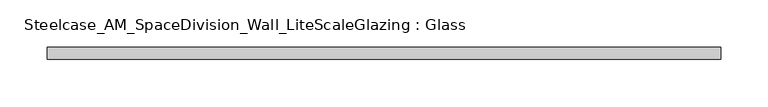
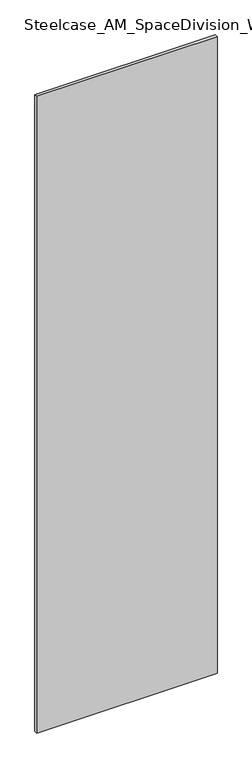
"""IFC4 building model written with IfcOpenShell, lengths in millimetres: plate geometry, Steelcase_AM_SpaceDivision_Wall_LiteScaleGlazing : Glass."""

from ifc_helpers import new_model, si_unit, origin, origin_with_axes, place, context, project, spatial, polyline, outline, extrude, source, transform, mapped, element, save


def steelcase_am_spacedivision_wall_litescaleglazing_glass_63235e19(model_context):
    return source(origin(), model_context, "Body", "SweptSolid", [
        extrude(outline(polyline([(-356.998736, -6.349956), (-356.998736, 6.3502015), (356.998736, 6.3502015), (356.998736, -6.349956), (-356.998736, -6.349956)])), origin_with_axes(), (0.0, 0.0, 1.0), 2665.984),
    ])


if __name__ == "__main__":
    model = new_model("IFC4")
    model_context = context("Model", 3, world=origin())
    ifc_project = project(units=[si_unit("LENGTHUNIT", "METRE", prefix="MILLI")], contexts=[model_context])
    site = spatial("IfcSite", under=ifc_project)
    building = spatial("IfcBuilding", under=site)
    placement = place(None, origin())
    steelcase_am_spacedivision_wall_litescaleglazing_glass_shape = steelcase_am_spacedivision_wall_litescaleglazing_glass_63235e19(model_context)
    element("IfcPlate", 1, ObjectType="Steelcase_AM_SpaceDivision_Wall_LiteScaleGlazing : Glass", at=placement, inside=building, context=model_context, shape_type="MappedRepresentation", body=[
        mapped(steelcase_am_spacedivision_wall_litescaleglazing_glass_shape, transform((0.0, 0.0, 0.0), x_axis=(1.0, 0.0, 0.0), y_axis=(0.0, 1.0, 0.0), z_axis=(0.0, 0.0, 1.0))),
    ])
    save(model, "model.ifc")
